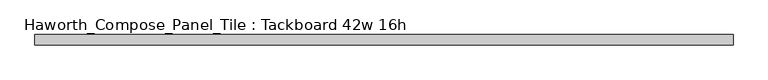
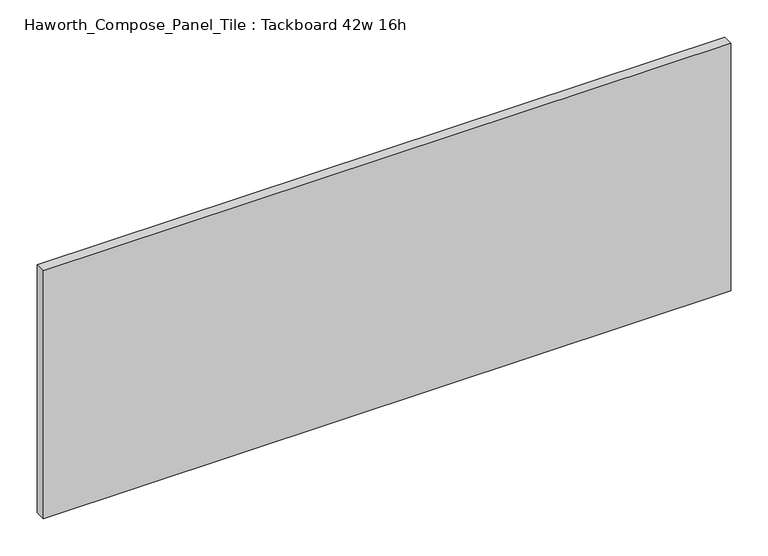
"""IFC4 building model written with IfcOpenShell, lengths in millimetres: furniture geometry, Haworth_Compose_Panel_Tile : Tackboard 42w 16h."""

from ifc_helpers import new_model, si_unit, frame, origin, place, context, project, spatial, polyline, outline, extrude, source, transform, mapped, element, save


def haworth_compose_panel_tile_tackboard_42w_16h_7050adfb(model_context):
    return source(origin(), model_context, "Body", "SweptSolid", [
        extrude(outline(polyline([(535.8402902, -28.8968594), (-530.9597098, -28.8968594), (-530.9597098, -13.0218594), (535.8402902, -13.0218594), (535.8402902, -28.8968594)])), frame((0.0, 0.0, 1066.8), z_axis=(0.0, 0.0, 1.0), x_axis=(1.0, 0.0, 0.0)), (0.0, 0.0, 1.0), 406.4),
    ])


if __name__ == "__main__":
    model = new_model("IFC4")
    model_context = context("Model", 3, world=origin())
    ifc_project = project(units=[si_unit("LENGTHUNIT", "METRE", prefix="MILLI")], contexts=[model_context])
    site = spatial("IfcSite", under=ifc_project)
    building = spatial("IfcBuilding", under=site)
    placement = place(None, origin())
    haworth_compose_panel_tile_tackboard_42w_16h_shape = haworth_compose_panel_tile_tackboard_42w_16h_7050adfb(model_context)
    element("IfcFurniture", 1, ObjectType="Haworth_Compose_Panel_Tile : Tackboard 42w 16h", at=placement, inside=building, context=model_context, shape_type="MappedRepresentation", body=[
        mapped(haworth_compose_panel_tile_tackboard_42w_16h_shape, transform((0.0, 0.0, 0.0), x_axis=(1.0, 0.0, 0.0), y_axis=(0.0, 1.0, 0.0), z_axis=(0.0, 0.0, 1.0))),
    ])
    save(model, "model.ifc")
